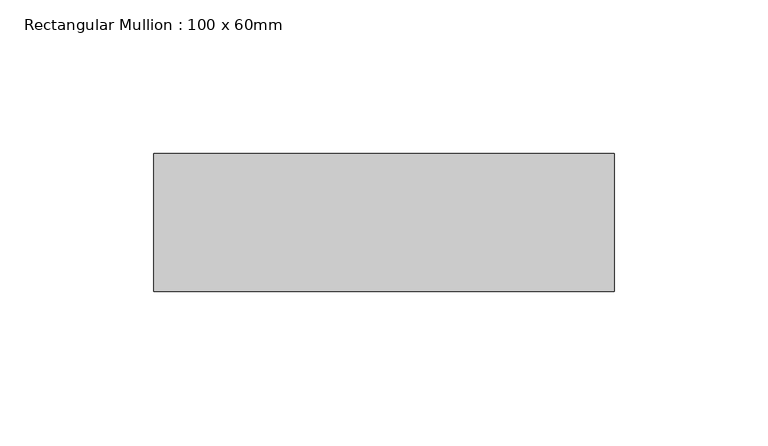
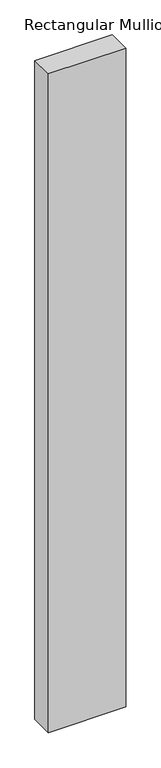
"""IFC4 building model written with IfcOpenShell, lengths in millimetres: member geometry, Rectangular Mullion : 100 x 60mm."""

import ifcopenshell
import ifcopenshell.guid

model = None  # the IFC model being written
_history = None  # IfcOwnerHistory: only IFC2X3 demands one
_inside = {}  # id of a spatial element -> (the spatial element, [elements in it])
_under = {}  # id of a project, library or spatial element -> (it, [spatial elements below it])
_declared = {}  # id of a project -> (the project, [libraries it declares])
_typed = {}  # id of a type object -> (the type object, [elements of that type])
_made_of = {}  # id of a material, layer set ... -> (it, [elements and type objects made of it])


def new_model(schema):
    """Start an empty IFC model of exactly this schema.

    Asked for "IFC4X3", IfcOpenShell would pick the latest addendum, in which some entities
    have other attributes; the version numbers below select the first issue.
    IFC2X3 requires an IfcOwnerHistory on every rooted entity: one is made here for all.
    """
    global model, _history
    if schema == "IFC4X3":
        model = ifcopenshell.file(schema_version=(4, 3, 0, 0))
    else:
        model = ifcopenshell.file(schema=schema)
    _inside.clear()
    _under.clear()
    _declared.clear()
    _typed.clear()
    _made_of.clear()
    _history = None
    if model.schema == "IFC2X3":
        org = make("IfcOrganization", Name="unknown")
        user = make(
            "IfcPersonAndOrganization",
            ThePerson=make("IfcPerson", FamilyName="unknown"),
            TheOrganization=org,
        )
        app = make(
            "IfcApplication",
            ApplicationDeveloper=org,
            Version="unknown",
            ApplicationFullName="unknown",
            ApplicationIdentifier="unknown",
        )
        _history = make(
            "IfcOwnerHistory",
            OwningUser=user,
            OwningApplication=app,
            ChangeAction="ADDED",
            CreationDate=0,
        )
    return model


def make(cls, **values):
    """One entity of the class cls with the attributes given. An attribute that is None is left unset."""
    return model.create_entity(
        cls, **{name: value for name, value in values.items() if value is not None}
    )


def rooted(cls, **values):
    """An entity with a GlobalId (a new one), such as an element, a storey or a relation."""
    return make(cls, GlobalId=ifcopenshell.guid.new(), OwnerHistory=_history, **values)


def si_unit(unit_type, name, prefix=None):
    """IfcSIUnit, for example si_unit("LENGTHUNIT", "METRE", prefix="MILLI")."""
    return make("IfcSIUnit", UnitType=unit_type, Prefix=prefix, Name=name)


def assignment(units):
    """IfcUnitAssignment: the units of a project."""
    return None if units is None else make("IfcUnitAssignment", Units=units)


def point(xyz):
    """IfcCartesianPoint."""
    return None if xyz is None else make("IfcCartesianPoint", Coordinates=xyz)


def direction(xyz):
    """IfcDirection."""
    return None if xyz is None else make("IfcDirection", DirectionRatios=xyz)


def frame(location, z_axis=None, x_axis=None):
    """IfcAxis2Placement3D, a coordinate frame: its origin and axes. An axis left out is left unset."""
    return make(
        "IfcAxis2Placement3D",
        Location=point(location),
        Axis=direction(z_axis),
        RefDirection=direction(x_axis),
    )


def origin():
    """The frame at (0, 0, 0) with its axes left unset."""
    return frame((0.0, 0.0, 0.0))


def place(relative_to, where):
    """IfcLocalPlacement: puts the frame where relative to a parent placement (None: the world)."""
    return make(
        "IfcLocalPlacement", PlacementRelTo=relative_to, RelativePlacement=where
    )


def context(
    kind, dimensions, precision=None, world=None, true_north=None, identifier=None
):
    """IfcGeometricRepresentationContext, for example the 3D "Model" context."""
    return make(
        "IfcGeometricRepresentationContext",
        ContextIdentifier=identifier,
        ContextType=kind,
        CoordinateSpaceDimension=dimensions,
        Precision=precision,
        WorldCoordinateSystem=world,
        TrueNorth=true_north,
    )


def project(units=None, contexts=None):
    """IfcProject with its units and contexts."""
    return rooted(
        "IfcProject",
        Name="project",
        RepresentationContexts=contexts,
        UnitsInContext=assignment(units),
    )


def spatial(cls, under=None, at=None, **own):
    """A site, building, storey or space (cls), placed at a placement, below another one or the project."""
    s = rooted(cls, ObjectPlacement=at, **own)
    if under is not None:
        _under.setdefault(under.id(), (under, []))[1].append(s)
    return s


def polyline(points):
    """IfcPolyline through the points."""
    return make("IfcPolyline", Points=[point(p) for p in points])


def outline(outer, holes=None, kind="AREA"):
    """IfcArbitraryClosedProfileDef: a profile drawn as a closed curve; with holes, ...WithVoids."""
    if holes is None:
        return make("IfcArbitraryClosedProfileDef", ProfileType=kind, OuterCurve=outer)
    return make(
        "IfcArbitraryProfileDefWithVoids",
        ProfileType=kind,
        OuterCurve=outer,
        InnerCurves=holes,
    )


def extrude(swept, where, along, depth):
    """IfcExtrudedAreaSolid: the profile swept, set in the frame where, extruded along a direction by depth."""
    return make(
        "IfcExtrudedAreaSolid",
        SweptArea=swept,
        Position=where,
        ExtrudedDirection=direction(along),
        Depth=depth,
    )


def shape(context_of_items, identifier, shape_type, items):
    """IfcShapeRepresentation: the items that make up one representation, for example the "Body"."""
    return make(
        "IfcShapeRepresentation",
        ContextOfItems=context_of_items,
        RepresentationIdentifier=identifier,
        RepresentationType=shape_type,
        Items=items,
    )


def source(mapping_origin, context_of_items, identifier, shape_type, items):
    """IfcRepresentationMap: a shape defined once, which mapped items show again and again."""
    return make(
        "IfcRepresentationMap",
        MappingOrigin=mapping_origin,
        MappedRepresentation=shape(context_of_items, identifier, shape_type, items),
    )


def transform(
    local_origin,
    x_axis=None,
    y_axis=None,
    z_axis=None,
    scale=None,
    scale2=None,
    scale3=None,
    uniform=True,
):
    """IfcCartesianTransformationOperator3D, or its non-uniform kind. x_axis, y_axis, z_axis: its Axis1, 2, 3."""
    if uniform:
        return make(
            "IfcCartesianTransformationOperator3D",
            Axis1=direction(x_axis),
            Axis2=direction(y_axis),
            LocalOrigin=point(local_origin),
            Scale=scale,
            Axis3=direction(z_axis),
        )
    return make(
        "IfcCartesianTransformationOperator3DnonUniform",
        Axis1=direction(x_axis),
        Axis2=direction(y_axis),
        LocalOrigin=point(local_origin),
        Scale=scale,
        Axis3=direction(z_axis),
        Scale2=scale2,
        Scale3=scale3,
    )


def mapped(mapping_source, mapping_target):
    """IfcMappedItem: shows the shape of a source again, moved by a transform."""
    return make(
        "IfcMappedItem", MappingSource=mapping_source, MappingTarget=mapping_target
    )


def made_of(thing, what):
    """Note that an element or type object is made of a material, layer set ...; save() writes the relation."""
    if what is not None:
        _made_of.setdefault(what.id(), (what, []))[1].append(thing)
    return thing


def element(
    cls,
    number,
    at=None,
    inside=None,
    cuts=None,
    type_object=None,
    material=None,
    context=None,
    identifier="Body",
    shape_type=None,
    held_by="IfcProductDefinitionShape",
    body=None,
    shapes=None,
    **own,
):
    """One element of the class cls, such as IfcWall. Its Tag is "e" and its number.

    at: its placement. inside: the storey or other place that contains it. cuts: it is an
    opening in that element (IfcRelVoidsElement). A single representation is given by context,
    identifier, shape_type and body (its items); several are given by shapes. held_by: the class
    of the entity that holds the representations. save() writes the other relations.
    """
    e = rooted(cls, Tag="e%d" % number, ObjectPlacement=at, **own)
    if body is not None:
        shapes = [shape(context, identifier, shape_type, body)]
    if shapes is not None:
        e.Representation = make(held_by, Representations=shapes)
    if inside is not None:
        _inside.setdefault(inside.id(), (inside, []))[1].append(e)
    if cuts is not None:
        rooted(
            "IfcRelVoidsElement", RelatingBuildingElement=cuts, RelatedOpeningElement=e
        )
    if type_object is not None:
        _typed.setdefault(type_object.id(), (type_object, []))[1].append(e)
    return made_of(e, material)


def aggregate(whole, parts):
    """IfcRelAggregates: a whole, such as a stair, and the parts it consists of."""
    return rooted("IfcRelAggregates", RelatingObject=whole, RelatedObjects=parts)


def save(model, path):
    """Write the relations noted so far, then the file.

    IfcRelAggregates (storeys below a building ...), IfcRelContainedInSpatialStructure (elements
    in a storey), IfcRelDefinesByType, IfcRelAssociatesMaterial and IfcRelDeclares: one each for
    every whole, place, type object, material and project.
    """
    for whole, parts in _under.values():
        aggregate(whole, parts)
    for where, things in _inside.values():
        rooted(
            "IfcRelContainedInSpatialStructure",
            RelatedElements=things,
            RelatingStructure=where,
        )
    for kind, things in _typed.values():
        rooted("IfcRelDefinesByType", RelatedObjects=things, RelatingType=kind)
    for what, things in _made_of.values():
        rooted("IfcRelAssociatesMaterial", RelatedObjects=things, RelatingMaterial=what)
    for by, libraries in _declared.values():
        rooted("IfcRelDeclares", RelatingContext=by, RelatedDefinitions=libraries)
    model.write(path)


def rectangular_mullion_100_x_60mm_e05d318c(model_context):
    return source(origin(), model_context, "Body", "SweptSolid", [
        extrude(outline(polyline([(-75.0, -30.0), (-75.0, 15.0), (75.0, 15.0), (75.0, -30.0), (-75.0, -30.0)])), frame((0.0, 0.0, -1350.0), z_axis=(0.0, 0.0, 1.0), x_axis=(1.0, 0.0, 0.0)), (0.0, 0.0, 1.0), 1350.0),
    ])


if __name__ == "__main__":
    model = new_model("IFC4")
    model_context = context("Model", 3, world=origin())
    ifc_project = project(units=[si_unit("LENGTHUNIT", "METRE", prefix="MILLI")], contexts=[model_context])
    site = spatial("IfcSite", under=ifc_project)
    building = spatial("IfcBuilding", under=site)
    placement = place(None, origin())
    rectangular_mullion_100_x_60mm_shape = rectangular_mullion_100_x_60mm_e05d318c(model_context)
    element("IfcMember", 1, ObjectType="Rectangular Mullion : 100 x 60mm", at=placement, inside=building, context=model_context, shape_type="MappedRepresentation", body=[
        mapped(rectangular_mullion_100_x_60mm_shape, transform((0.0, 0.0, 0.0), x_axis=(1.0, 0.0, 0.0), y_axis=(0.0, 1.0, 0.0), z_axis=(0.0, 0.0, 1.0))),
    ])
    save(model, "model.ifc")
